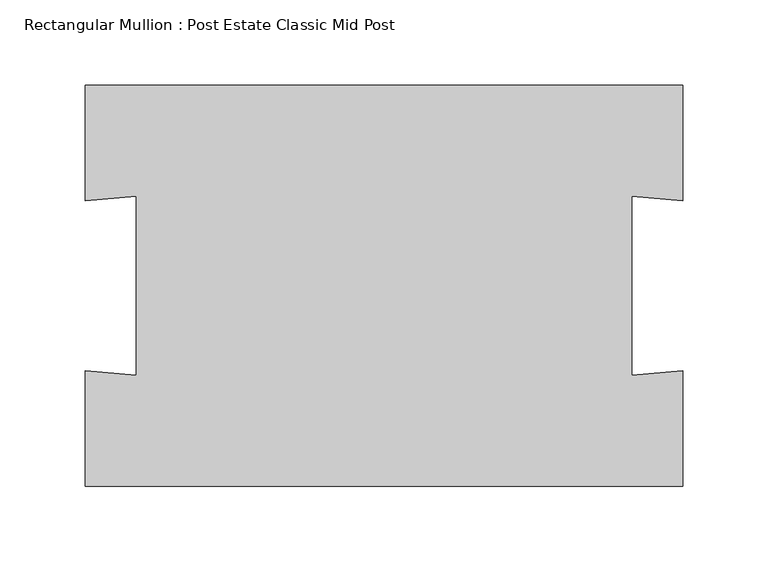
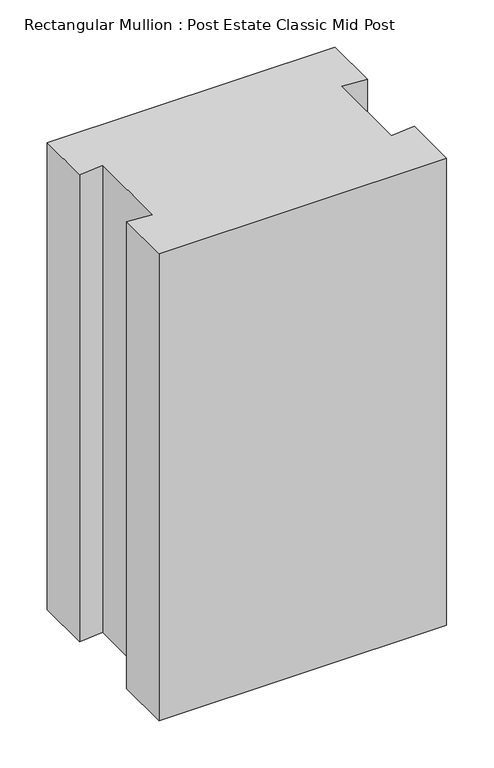
"""IFC4 building model written with IfcOpenShell, lengths in millimetres: member geometry, Rectangular Mullion : Post Estate Classic Mid Post."""

from ifc_helpers import new_model, si_unit, frame, origin, place, context, project, spatial, polyline, outline, extrude, source, transform, mapped, element, save


def rectangular_mullion_post_estate_classic_mid_post_96024cbd(model_context):
    return source(origin(), model_context, "Body", "SweptSolid", [
        extrude(outline(polyline([(-175.0, -117.3653397), (-175.0, -49.8853277), (-145.1141591, -52.5), (-145.1141591, 52.5), (-175.0, 49.8853277), (-175.0, 117.4347283), (175.0, 117.4347283), (175.0, 49.8853277), (145.1141591, 52.5), (145.1141591, -52.5), (175.0, -49.8853277), (175.0, -117.3653397), (-175.0, -117.3653397)])), frame((0.0, 0.0, -600.0), z_axis=(0.0, 0.0, 1.0), x_axis=(1.0, 0.0, 0.0)), (0.0, 0.0, 1.0), 600.0),
    ])


if __name__ == "__main__":
    model = new_model("IFC4")
    model_context = context("Model", 3, world=origin())
    ifc_project = project(units=[si_unit("LENGTHUNIT", "METRE", prefix="MILLI")], contexts=[model_context])
    site = spatial("IfcSite", under=ifc_project)
    building = spatial("IfcBuilding", under=site)
    placement = place(None, origin())
    rectangular_mullion_post_estate_classic_mid_post_shape = rectangular_mullion_post_estate_classic_mid_post_96024cbd(model_context)
    element("IfcMember", 1, ObjectType="Rectangular Mullion : Post Estate Classic Mid Post", at=placement, inside=building, context=model_context, shape_type="MappedRepresentation", body=[
        mapped(rectangular_mullion_post_estate_classic_mid_post_shape, transform((0.0, 0.0, 0.0), x_axis=(1.0, 0.0, 0.0), y_axis=(0.0, 1.0, 0.0), z_axis=(0.0, 0.0, 1.0))),
    ])
    save(model, "model.ifc")
